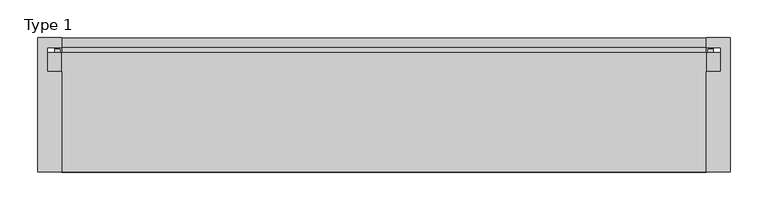
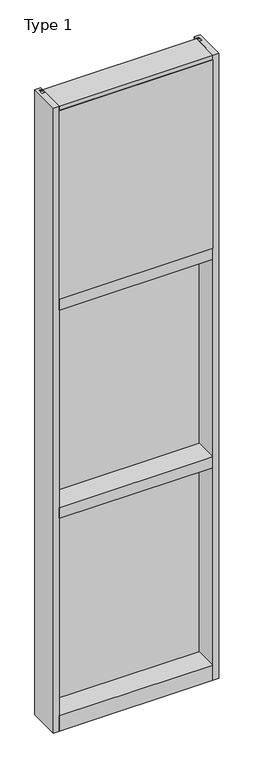
"""IFC4 building model written with IfcOpenShell, lengths in millimetres: plate geometry, Type 1."""

from ifc_helpers import new_model, si_unit, point, frame, frame_2d, origin, place, context, project, spatial, polyline, circle_curve, trimmed, segment, composite_curve, outline, extrude, source, transform, mapped, element, save


def type_1_d9197e53(model_context):
    return source(origin(), model_context, "Body", "SweptSolid", [
        extrude(outline(composite_curve([segment(polyline([(-425.5265008, 34.0361122), (-425.9374462, 27.686), (-426.9039521, 27.686), (-426.9314595, 31.7563748)]), True, "CONTINUOUS"), segment(trimmed(circle_curve(frame_2d((-427.566445, 31.7520836)), 0.635), [point((-426.9314595, 31.7563748))], [point((-427.5313642, 32.3861138))], True, "CARTESIAN"), True, "CONTINUOUS"), segment(polyline([(-427.5313642, 32.3861138), (-434.2867251, 32.7598869)]), True, "CONTINUOUS"), segment(trimmed(circle_curve(frame_2d((-434.1041718, 33.7593519)), 1.016), [point((-434.2867251, 32.7598869))], [point((-435.0817504, 34.0361122))], False, "CARTESIAN"), True, "CONTINUOUS"), segment(polyline([(-435.0817504, 34.0361122), (-425.5265008, 34.0361122)]), True, "CONTINUOUS")], self_intersect=False)), frame((0.0, 0.0, 2459.3728643), z_axis=(0.0, 0.0, 1.0), x_axis=(1.0, 0.0, 0.0)), (0.0, 0.0, 1.0), 1134.7271357),
        extrude(outline(composite_curve([segment(polyline([(425.9374462, 27.686), (425.5265008, 34.0361122), (435.0817504, 34.0361122)]), True, "CONTINUOUS"), segment(trimmed(circle_curve(frame_2d((434.1041718, 33.7593519)), 1.016), [point((435.0817504, 34.0361122))], [point((434.2867251, 32.7598869))], False, "CARTESIAN"), True, "CONTINUOUS"), segment(polyline([(434.2867251, 32.7598869), (427.5313642, 32.3861138)]), True, "CONTINUOUS"), segment(trimmed(circle_curve(frame_2d((427.566445, 31.7520836)), 0.635), [point((427.5313642, 32.3861138))], [point((426.9314595, 31.7563748))], True, "CARTESIAN"), True, "CONTINUOUS"), segment(polyline([(426.9314595, 31.7563748), (426.9039521, 27.686), (425.9374462, 27.686)]), True, "CONTINUOUS")], self_intersect=False)), frame((0.0, 0.0, 2459.3728643), z_axis=(0.0, 0.0, 1.0), x_axis=(1.0, 0.0, 0.0)), (0.0, 0.0, 1.0), 1134.7271357),
        extrude(outline(polyline([(34.0361122, 2459.3728643), (27.686, 2459.3728643), (27.686, 2471.8771952), (34.0361122, 2470.1238955), (34.0361122, 2459.3728643)])), frame((-435.0817504, 0.0, 0.0), z_axis=(1.0, 0.0, 0.0), x_axis=(0.0, 1.0, 0.0)), (0.0, 0.0, 1.0), 870.1635007),
        extrude(outline(polyline([(425.45, -48.514), (425.45, -131.0159103), (-425.45, -131.0159103), (-425.45, -48.514), (425.45, -48.514)])), frame((0.0, 0.0, 2470.15), z_axis=(0.0, 0.0, 1.0), x_axis=(1.0, 0.0, 0.0)), (0.0, 0.0, 1.0), 1104.9),
        extrude(outline(polyline([(444.5, 27.686), (444.5, 2.286), (-444.5, 2.286), (-444.5, 27.686), (444.5, 27.686)])), frame((0.0, 0.0, 2451.1), z_axis=(0.0, 0.0, 1.0), x_axis=(1.0, 0.0, 0.0)), (0.0, 0.0, 1.0), 1143.0),
        extrude(outline(polyline([(-457.2, -130.5814), (-457.2, 47.2186), (-425.4489108, 47.2186), (-425.4489108, 34.036), (-444.5, 34.036), (-444.5, 2.286), (-425.45, 2.286), (-425.45, -130.5814), (-457.2, -130.5814)])), frame((0.0, 0.0, -57.15), z_axis=(0.0, 0.0, 1.0), x_axis=(1.0, 0.0, 0.0)), (0.0, 0.0, 1.0), 3657.6),
        extrude(outline(polyline([(457.2, -130.5814), (425.45, -130.5814), (425.45, 2.286), (444.5, 2.286), (444.5, 34.036), (425.4489108, 34.036), (425.4489108, 47.2186), (457.2, 47.2186), (457.2, -130.5814)])), frame((0.0, 0.0, -57.15), z_axis=(0.0, 0.0, 1.0), x_axis=(1.0, 0.0, 0.0)), (0.0, 0.0, 1.0), 3657.6),
        extrude(outline(polyline([(27.686, 1252.6752684), (34.036, 1250.9219997), (34.036, 1240.1709644), (27.686, 1240.1709644), (27.686, 1252.6752684)])), frame((-435.0828713, 0.0, 0.0), z_axis=(1.0, 0.0, 0.0), x_axis=(0.0, 1.0, 0.0)), (0.0, 0.0, 1.0), 870.1657427),
        extrude(outline(polyline([(27.6860992, 2417.4309356), (34.0360992, 2417.4309356), (34.0360992, 2406.6798775), (27.6860992, 2404.9266088), (27.6860992, 2417.4309356)])), frame((-435.0828713, 0.0, 0.0), z_axis=(1.0, 0.0, 0.0), x_axis=(0.0, 1.0, 0.0)), (0.0, 0.0, 1.0), 870.1657427),
        extrude(outline(composite_curve([segment(trimmed(circle_curve(frame_2d((-427.5675342, 31.7520836)), 0.635), [point((-426.9325487, 31.7563748))], [point((-427.5324534, 32.3861138))], True, "CARTESIAN"), True, "CONTINUOUS"), segment(polyline([(-427.5324534, 32.3861138), (-434.2878143, 32.7598869)]), True, "CONTINUOUS"), segment(trimmed(circle_curve(frame_2d((-434.1052611, 33.7593519)), 1.016), [point((-434.2878143, 32.7598869))], [point((-435.0828713, 34.036))], False, "CARTESIAN"), True, "CONTINUOUS"), segment(polyline([(-435.0828713, 34.036), (-425.5275972, 34.036), (-425.9385354, 27.686), (-426.9050413, 27.686), (-426.9325487, 31.7563748)]), True, "CONTINUOUS")], self_intersect=False)), frame((0.0, 0.0, 1240.1709644), z_axis=(0.0, 0.0, 1.0), x_axis=(1.0, 0.0, 0.0)), (0.0, 0.0, 1.0), 1177.2580861),
        extrude(outline(composite_curve([segment(polyline([(425.9385354, 27.686), (425.5275972, 34.036), (435.0828713, 34.036)]), True, "CONTINUOUS"), segment(trimmed(circle_curve(frame_2d((434.1052611, 33.7593519)), 1.016), [point((435.0828713, 34.036))], [point((434.2878143, 32.7598869))], False, "CARTESIAN"), True, "CONTINUOUS"), segment(polyline([(434.2878143, 32.7598869), (427.5324534, 32.3861138)]), True, "CONTINUOUS"), segment(trimmed(circle_curve(frame_2d((427.5675342, 31.7520836)), 0.635), [point((427.5324534, 32.3861138))], [point((426.9325487, 31.7563748))], True, "CARTESIAN"), True, "CONTINUOUS"), segment(polyline([(426.9325487, 31.7563748), (426.9050413, 27.686), (425.9385354, 27.686)]), True, "CONTINUOUS")], self_intersect=False)), frame((0.0, 0.0, 1240.1709644), z_axis=(0.0, 0.0, 1.0), x_axis=(1.0, 0.0, 0.0)), (0.0, 0.0, 1.0), 1177.2580861),
        extrude(outline(polyline([(444.5010892, 27.686), (444.5010892, 2.286), (-444.5010892, 2.286), (-444.5010892, 27.686), (444.5010892, 27.686)])), frame((0.0, 0.0, 1231.8962001), z_axis=(0.0, 0.0, 1.0), x_axis=(1.0, 0.0, 0.0)), (0.0, 0.0, 1.0), 1193.8037999),
        extrude(outline(polyline([(27.686, 33.4752684), (34.036, 31.7219997), (34.036, 20.9709644), (27.686, 20.9709644), (27.686, 33.4752684)])), frame((-435.0828713, 0.0, 0.0), z_axis=(1.0, 0.0, 0.0), x_axis=(0.0, 1.0, 0.0)), (0.0, 0.0, 1.0), 870.1657427),
        extrude(outline(polyline([(27.6860992, 1198.2309356), (34.0360992, 1198.2309356), (34.0360992, 1187.4798775), (27.6860992, 1185.7266088), (27.6860992, 1198.2309356)])), frame((-435.0828713, 0.0, 0.0), z_axis=(1.0, 0.0, 0.0), x_axis=(0.0, 1.0, 0.0)), (0.0, 0.0, 1.0), 870.1657427),
        extrude(outline(composite_curve([segment(trimmed(circle_curve(frame_2d((-427.5675342, 31.7520836)), 0.635), [point((-426.9325487, 31.7563748))], [point((-427.5324534, 32.3861138))], True, "CARTESIAN"), True, "CONTINUOUS"), segment(polyline([(-427.5324534, 32.3861138), (-434.2878143, 32.7598869)]), True, "CONTINUOUS"), segment(trimmed(circle_curve(frame_2d((-434.1052611, 33.7593519)), 1.016), [point((-434.2878143, 32.7598869))], [point((-435.0828713, 34.036))], False, "CARTESIAN"), True, "CONTINUOUS"), segment(polyline([(-435.0828713, 34.036), (-425.5275972, 34.036), (-425.9385354, 27.686), (-426.9050413, 27.686), (-426.9325487, 31.7563748)]), True, "CONTINUOUS")], self_intersect=False)), frame((0.0, 0.0, 20.9709644), z_axis=(0.0, 0.0, 1.0), x_axis=(1.0, 0.0, 0.0)), (0.0, 0.0, 1.0), 1177.2580861),
        extrude(outline(composite_curve([segment(polyline([(425.9385354, 27.686), (425.5275972, 34.036), (435.0828713, 34.036)]), True, "CONTINUOUS"), segment(trimmed(circle_curve(frame_2d((434.1052611, 33.7593519)), 1.016), [point((435.0828713, 34.036))], [point((434.2878143, 32.7598869))], False, "CARTESIAN"), True, "CONTINUOUS"), segment(polyline([(434.2878143, 32.7598869), (427.5324534, 32.3861138)]), True, "CONTINUOUS"), segment(trimmed(circle_curve(frame_2d((427.5675342, 31.7520836)), 0.635), [point((427.5324534, 32.3861138))], [point((426.9325487, 31.7563748))], True, "CARTESIAN"), True, "CONTINUOUS"), segment(polyline([(426.9325487, 31.7563748), (426.9050413, 27.686), (425.9385354, 27.686)]), True, "CONTINUOUS")], self_intersect=False)), frame((0.0, 0.0, 20.9709644), z_axis=(0.0, 0.0, 1.0), x_axis=(1.0, 0.0, 0.0)), (0.0, 0.0, 1.0), 1177.2580861),
        extrude(outline(polyline([(444.5010892, 27.686), (444.5010892, 2.286), (-444.5010892, 2.286), (-444.5010892, 27.686), (444.5010892, 27.686)])), frame((0.0, 0.0, 12.6962001), z_axis=(0.0, 0.0, 1.0), x_axis=(1.0, 0.0, 0.0)), (0.0, 0.0, 1.0), 1193.8037999),
        extrude(outline(polyline([(0.0, 2470.15), (0.0, 2451.1), (34.13125, 2451.1), (34.13125, 2470.1462001), (46.83125, 2470.1462001), (46.83125, 2406.6462001), (34.13125, 2406.6462001), (34.13125, 2425.7), (0.0, 2425.7), (0.0, 2406.65), (-130.175, 2406.65), (-130.175, 2470.15), (0.0, 2470.15)])), frame((-425.45, 0.0, 0.0), z_axis=(1.0, 0.0, 0.0), x_axis=(0.0, 1.0, 0.0)), (0.0, 0.0, 1.0), 850.9),
        extrude(outline(polyline([(-130.0734, 3600.45), (27.686, 3600.45), (27.686, 3594.1), (0.0, 3594.1), (0.0, 3575.051832), (-130.0734, 3575.051832), (-130.0734, 3600.45)])), frame((-425.45, 0.0, 0.0), z_axis=(1.0, 0.0, 0.0), x_axis=(0.0, 1.0, 0.0)), (0.0, 0.0, 1.0), 850.9),
        extrude(outline(polyline([(0.0, 1250.95), (0.0, 1231.9), (34.13125, 1231.9), (34.13125, 1250.9462001), (46.83125, 1250.9462001), (46.83125, 1187.4462001), (34.13125, 1187.4462001), (34.13125, 1206.5), (0.0, 1206.5), (0.0, 1187.45), (-130.175, 1187.45), (-130.175, 1250.95), (0.0, 1250.95)])), frame((-425.45, 0.0, 0.0), z_axis=(1.0, 0.0, 0.0), x_axis=(0.0, 1.0, 0.0)), (0.0, 0.0, 1.0), 850.9),
        extrude(outline(polyline([(0.0, 31.75), (0.0, 12.7), (34.13125, 12.7), (34.13125, 31.751832), (47.2186148, 31.751832), (47.2186148, -57.15), (-130.175, -57.15), (-130.175, 31.75), (0.0, 31.75)])), frame((-425.45, 0.0, 0.0), z_axis=(1.0, 0.0, 0.0), x_axis=(0.0, 1.0, 0.0)), (0.0, 0.0, 1.0), 850.9),
    ])


if __name__ == "__main__":
    model = new_model("IFC4")
    model_context = context("Model", 3, world=origin())
    ifc_project = project(units=[si_unit("LENGTHUNIT", "METRE", prefix="MILLI")], contexts=[model_context])
    site = spatial("IfcSite", under=ifc_project)
    building = spatial("IfcBuilding", under=site)
    placement = place(None, origin())
    type_1_shape = type_1_d9197e53(model_context)
    element("IfcPlate", 1, ObjectType="Type 1", at=placement, inside=building, context=model_context, shape_type="MappedRepresentation", body=[
        mapped(type_1_shape, transform((0.0, 0.0, 0.0), x_axis=(1.0, 0.0, 0.0), y_axis=(0.0, 1.0, 0.0), z_axis=(0.0, 0.0, 1.0))),
    ])
    save(model, "model.ifc")
